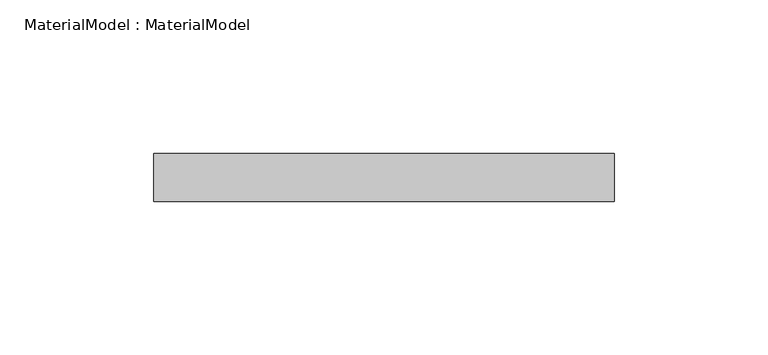
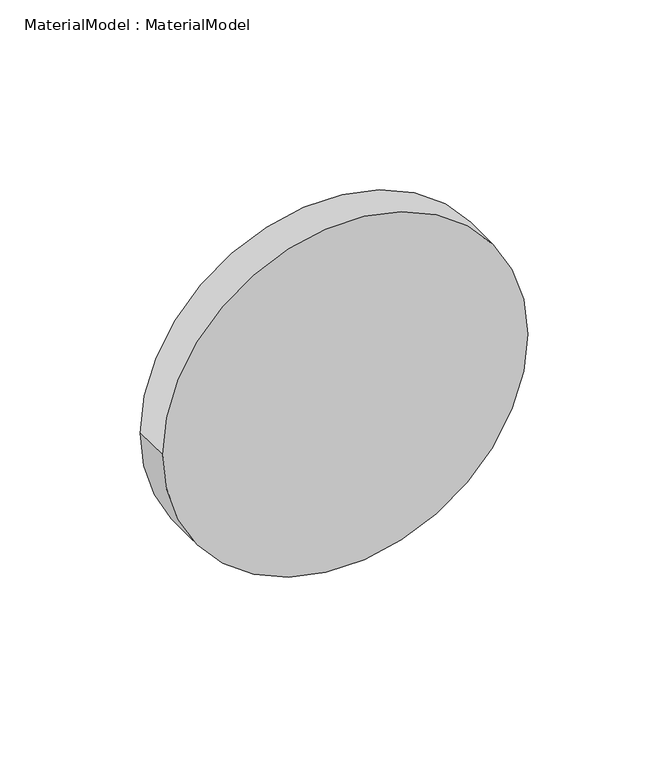
"""IFC4 building model written with IfcOpenShell, lengths in millimetres: proxy geometry, MaterialModel : MaterialModel."""

from ifc_helpers import new_model, si_unit, point, frame, frame_2d, origin, place, context, project, spatial, circle_curve, trimmed, segment, composite_curve, outline, extrude, source, transform, mapped, element, save


def materialmodel_materialmodel_7ac49ee1(model_context):
    return source(origin(), model_context, "Body", "SweptSolid", [
        extrude(outline(composite_curve([segment(trimmed(circle_curve(frame_2d((7.8463049, 0.0)), 75.0), [point((7.8463049, -75.0))], [point((7.8463049, 75.0))], False, "CARTESIAN"), True, "CONTINUOUS"), segment(trimmed(circle_curve(frame_2d((7.8463049, 0.0)), 75.0), [point((7.8463049, 75.0))], [point((7.8463049, -75.0))], False, "CARTESIAN"), True, "CONTINUOUS")], self_intersect=False)), frame((0.0, -7.8463049, 0.0), z_axis=(0.0, 1.0, 0.0), x_axis=(0.0, 0.0, 1.0)), (0.0, 0.0, 1.0), 15.6926098),
    ])


if __name__ == "__main__":
    model = new_model("IFC4")
    model_context = context("Model", 3, world=origin())
    ifc_project = project(units=[si_unit("LENGTHUNIT", "METRE", prefix="MILLI")], contexts=[model_context])
    site = spatial("IfcSite", under=ifc_project)
    building = spatial("IfcBuilding", under=site)
    placement = place(None, origin())
    materialmodel_materialmodel_shape = materialmodel_materialmodel_7ac49ee1(model_context)
    element("IfcBuildingElementProxy", 1, Name="MaterialModel : MaterialModel", ObjectType="MaterialModel : MaterialModel", at=placement, inside=building, context=model_context, shape_type="MappedRepresentation", body=[
        mapped(materialmodel_materialmodel_shape, transform((0.0, 0.0, 0.0), x_axis=(1.0, 0.0, 0.0), y_axis=(0.0, 1.0, 0.0), z_axis=(0.0, 0.0, 1.0))),
    ])
    save(model, "model.ifc")
